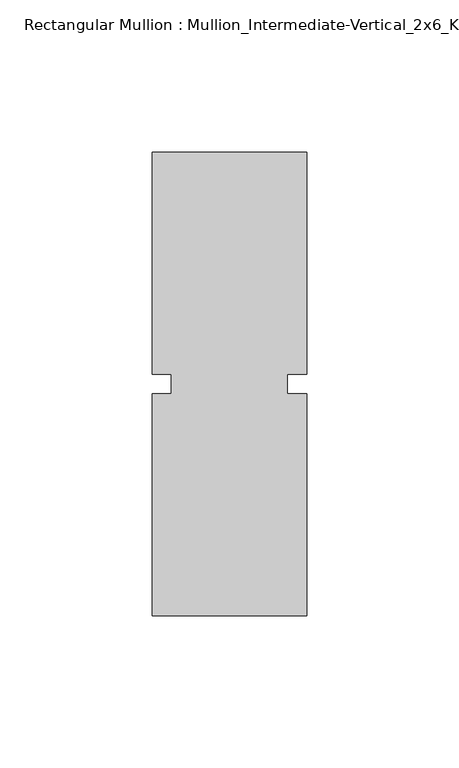
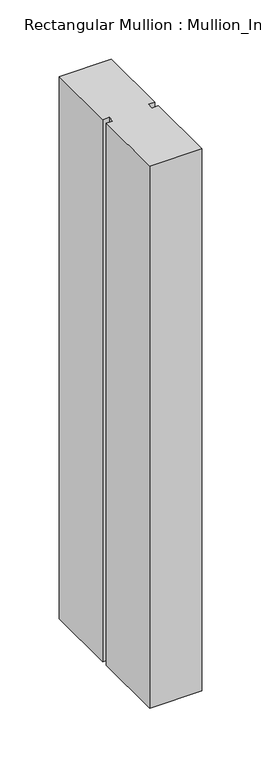
"""IFC4 building model written with IfcOpenShell, lengths in millimetres: member geometry, Rectangular Mullion : Mullion_Intermediate-Vertical_2x6_Kawneer."""

from ifc_helpers import new_model, si_unit, frame, origin, place, context, project, spatial, polyline, outline, extrude, source, transform, mapped, element, save


def rectangular_mullion_mullion_intermediate_vertical_2x6_866d3e91(model_context):
    return source(origin(), model_context, "Body", "SweptSolid", [
        extrude(outline(polyline([(25.4, -76.2), (-25.4, -76.2), (-25.4, -3.175), (-19.05, -3.175), (-19.05, 3.175), (-25.4, 3.175), (-25.4, 76.2), (25.4, 76.2), (25.4, 3.175), (19.05, 3.175), (19.05, -3.175), (25.4, -3.175), (25.4, -76.2)])), frame((0.0, 0.0, -558.8), z_axis=(0.0, 0.0, 1.0), x_axis=(1.0, 0.0, 0.0)), (0.0, 0.0, 1.0), 558.8),
    ])


if __name__ == "__main__":
    model = new_model("IFC4")
    model_context = context("Model", 3, world=origin())
    ifc_project = project(units=[si_unit("LENGTHUNIT", "METRE", prefix="MILLI")], contexts=[model_context])
    site = spatial("IfcSite", under=ifc_project)
    building = spatial("IfcBuilding", under=site)
    placement = place(None, origin())
    rectangular_mullion_mullion_intermediate_vertical_2x6_shape = rectangular_mullion_mullion_intermediate_vertical_2x6_866d3e91(model_context)
    element("IfcMember", 1, ObjectType="Rectangular Mullion : Mullion_Intermediate-Vertical_2x6_Kawneer", at=placement, inside=building, context=model_context, shape_type="MappedRepresentation", body=[
        mapped(rectangular_mullion_mullion_intermediate_vertical_2x6_shape, transform((0.0, 0.0, 0.0), x_axis=(1.0, 0.0, 0.0), y_axis=(0.0, 1.0, 0.0), z_axis=(0.0, 0.0, 1.0))),
    ])
    save(model, "model.ifc")
